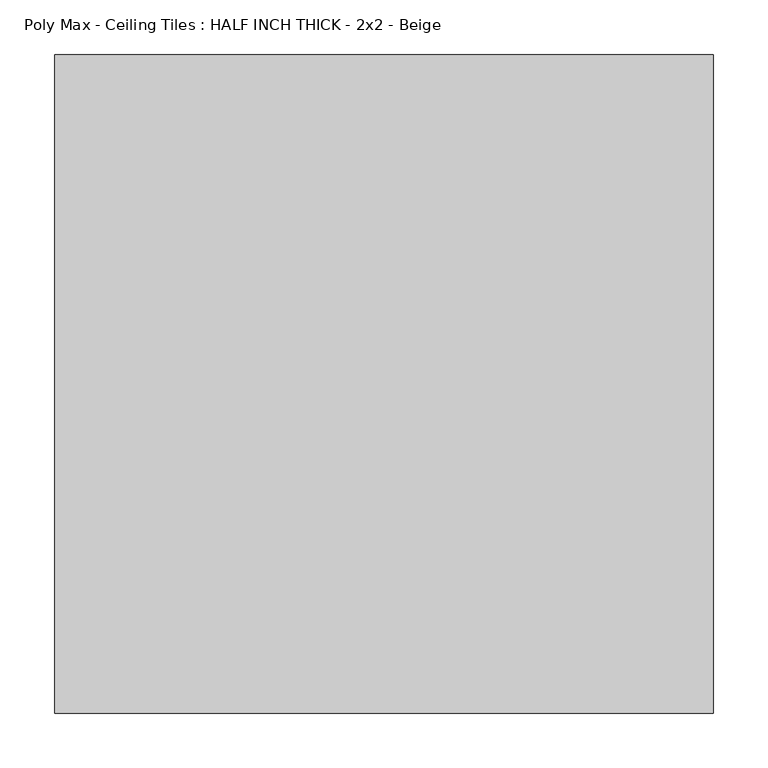
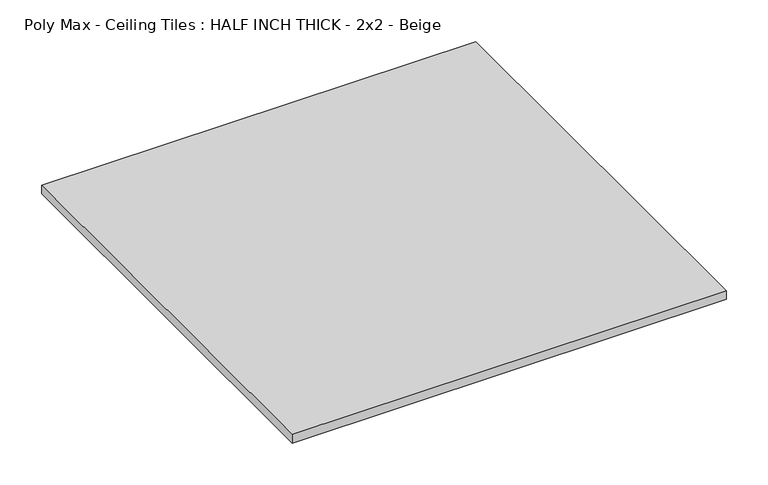
"""IFC4 building model written with IfcOpenShell, lengths in millimetres: proxy geometry, Poly Max - Ceiling Tiles : HALF INCH THICK - 2x2 - Beige."""

from ifc_helpers import new_model, si_unit, origin, origin_with_axes, place, context, project, spatial, polyline, outline, extrude, source, transform, mapped, element, save


def poly_max_ceiling_tiles_half_inch_thick_2x2_beige_00b11599(model_context):
    return source(origin(), model_context, "Body", "SweptSolid", [
        extrude(outline(polyline([(-301.625, 301.625), (301.625, 301.625), (301.625, -301.625), (-301.625, -301.625), (-301.625, 301.625)])), origin_with_axes(), (0.0, 0.0, 1.0), 12.7),
    ])


if __name__ == "__main__":
    model = new_model("IFC4")
    model_context = context("Model", 3, world=origin())
    ifc_project = project(units=[si_unit("LENGTHUNIT", "METRE", prefix="MILLI")], contexts=[model_context])
    site = spatial("IfcSite", under=ifc_project)
    building = spatial("IfcBuilding", under=site)
    placement = place(None, origin())
    poly_max_ceiling_tiles_half_inch_thick_2x2_beige_shape = poly_max_ceiling_tiles_half_inch_thick_2x2_beige_00b11599(model_context)
    element("IfcBuildingElementProxy", 1, Name="Poly Max - Ceiling Tiles : HALF INCH THICK - 2x2 - Beige", ObjectType="Poly Max - Ceiling Tiles : HALF INCH THICK - 2x2 - Beige", at=placement, inside=building, context=model_context, shape_type="MappedRepresentation", body=[
        mapped(poly_max_ceiling_tiles_half_inch_thick_2x2_beige_shape, transform((0.0, 0.0, 0.0), x_axis=(1.0, 0.0, 0.0), y_axis=(0.0, 1.0, 0.0), z_axis=(0.0, 0.0, 1.0))),
    ])
    save(model, "model.ifc")
